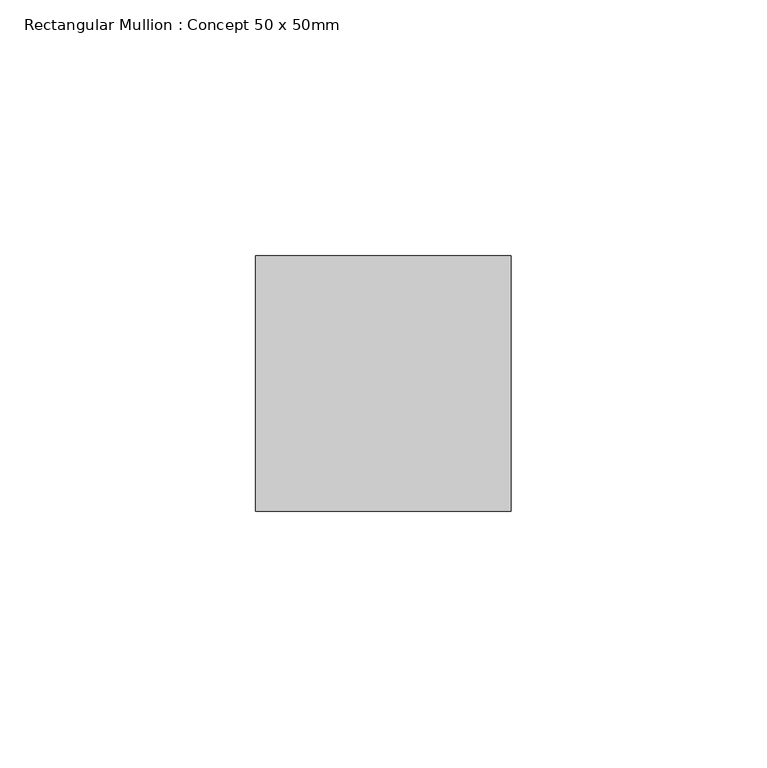
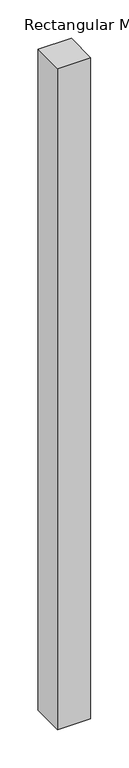
"""IFC4 building model written with IfcOpenShell, lengths in millimetres: member geometry, Rectangular Mullion : Concept 50 x 50mm."""

from ifc_helpers import new_model, si_unit, frame, origin, place, context, project, spatial, polyline, outline, extrude, source, transform, mapped, element, save


def rectangular_mullion_concept_50_x_50mm_f9ce9dc6(model_context):
    return source(origin(), model_context, "Body", "SweptSolid", [
        extrude(outline(polyline([(0.0, 50.0), (0.0, 0.0), (-50.0, 0.0), (-50.0, 50.0), (0.0, 50.0)])), frame((0.0, 0.0, -1050.0), z_axis=(0.0, 0.0, 1.0), x_axis=(1.0, 0.0, 0.0)), (0.0, 0.0, 1.0), 1050.0),
    ])


if __name__ == "__main__":
    model = new_model("IFC4")
    model_context = context("Model", 3, world=origin())
    ifc_project = project(units=[si_unit("LENGTHUNIT", "METRE", prefix="MILLI")], contexts=[model_context])
    site = spatial("IfcSite", under=ifc_project)
    building = spatial("IfcBuilding", under=site)
    placement = place(None, origin())
    rectangular_mullion_concept_50_x_50mm_shape = rectangular_mullion_concept_50_x_50mm_f9ce9dc6(model_context)
    element("IfcMember", 1, ObjectType="Rectangular Mullion : Concept 50 x 50mm", at=placement, inside=building, context=model_context, shape_type="MappedRepresentation", body=[
        mapped(rectangular_mullion_concept_50_x_50mm_shape, transform((0.0, 0.0, 0.0), x_axis=(1.0, 0.0, 0.0), y_axis=(0.0, 1.0, 0.0), z_axis=(0.0, 0.0, 1.0))),
    ])
    save(model, "model.ifc")
